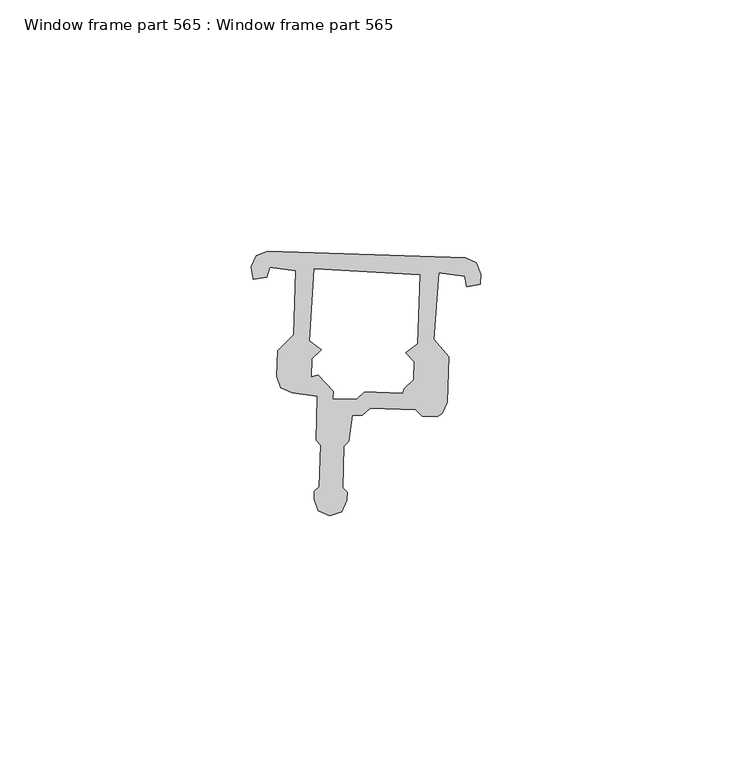
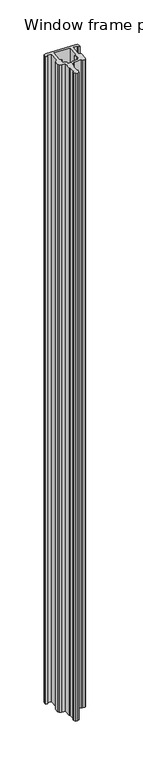
"""IFC4 building model written with IfcOpenShell, lengths in millimetres: proxy geometry, Window frame part 565 : Window frame part 565."""

from ifc_helpers import new_model, si_unit, frame, origin, place, context, project, spatial, polyline, outline, extrude, source, transform, mapped, element, save


def window_frame_part_565_window_frame_part_565_8ccbd863(model_context):
    return source(origin(), model_context, "Body", "SweptSolid", [
        extrude(outline(polyline([(32736.8155475, -15402.9281397), (32736.1330867, -15408.1588131), (32735.1494141, -15409.0790852), (32734.8746364, -15417.3307733), (32735.7949084, -15418.3144459), (32735.74423, -15419.8363405), (32734.7099667, -15422.1155976), (32732.366954, -15422.9959413), (32730.0876968, -15421.961678), (32729.2073532, -15419.6186653), (32729.2580737, -15418.0955096), (32730.2417463, -15417.1752375), (32730.516482, -15408.9248105), (32729.59621, -15407.9411379), (32729.8884545, -15399.1649135), (32724.834522, -15398.4883381), (32722.621651, -15397.4841989), (32721.7669484, -15395.2094293), (32721.9360875, -15390.1301131), (32725.1672104, -15386.8989902), (32725.5935865, -15374.1669272), (32720.3809919, -15373.4850685), (32719.8056461, -15375.499036), (32717.1232167, -15375.9179938), (32716.7000322, -15373.3624941), (32717.7041713, -15371.1496231), (32719.978941, -15370.2949205), (32759.3271311, -15371.6051986), (32761.5400022, -15372.6093377), (32762.3947047, -15374.8841074), (32762.3270774, -15376.9149817), (32759.6446481, -15377.3339395), (32759.2045567, -15375.2861584), (32753.9919621, -15374.6042996), (32753.043287, -15387.8295007), (32756.0547763, -15391.266251), (32755.751228, -15400.38193), (32754.747089, -15402.594801), (32753.7123582, -15403.2417011), (32750.7213479, -15403.1421279), (32749.4815501, -15401.8169165), (32740.4015297, -15401.5145556), (32738.7766105, -15402.9934422), (32736.8155475, -15402.9281397)]), holes=[polyline([(32748.9423197, -15395.9279879), (32749.0617945, -15392.3401097), (32747.3253592, -15390.4863591), (32749.7393702, -15388.7161289), (32750.2940956, -15374.9894438), (32729.2914531, -15373.7817831), (32728.3062679, -15388.1033951), (32730.698049, -15389.9326767), (32728.8421388, -15391.6668038), (32728.722664, -15395.2546819), (32730.0296264, -15394.9254633), (32733.0972, -15398.204372), (32733.0498609, -15399.625984), (32737.5933238, -15399.7772794), (32739.218243, -15398.2983928), (32746.7282817, -15398.5484739), (32747.0864095, -15397.6621149), (32748.9423197, -15395.9279879)])]), frame((0.0, 0.0, 1597.975708), z_axis=(0.0, 0.0, 1.0), x_axis=(1.0, 0.0, 0.0)), (0.0, 0.0, 1.0), 914.4),
    ])


if __name__ == "__main__":
    model = new_model("IFC4")
    model_context = context("Model", 3, world=origin())
    ifc_project = project(units=[si_unit("LENGTHUNIT", "METRE", prefix="MILLI")], contexts=[model_context])
    site = spatial("IfcSite", under=ifc_project)
    building = spatial("IfcBuilding", under=site)
    placement = place(None, origin())
    window_frame_part_565_window_frame_part_565_shape = window_frame_part_565_window_frame_part_565_8ccbd863(model_context)
    element("IfcBuildingElementProxy", 1, Name="Window frame part 565 : Window frame part 565", ObjectType="Window frame part 565 : Window frame part 565", at=placement, inside=building, context=model_context, shape_type="MappedRepresentation", body=[
        mapped(window_frame_part_565_window_frame_part_565_shape, transform((0.0, 0.0, 0.0), x_axis=(1.0, 0.0, 0.0), y_axis=(0.0, 1.0, 0.0), z_axis=(0.0, 0.0, 1.0))),
    ])
    save(model, "model.ifc")
